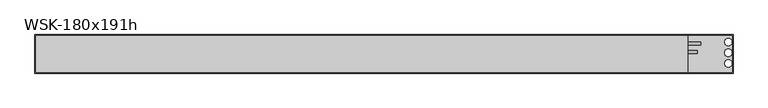
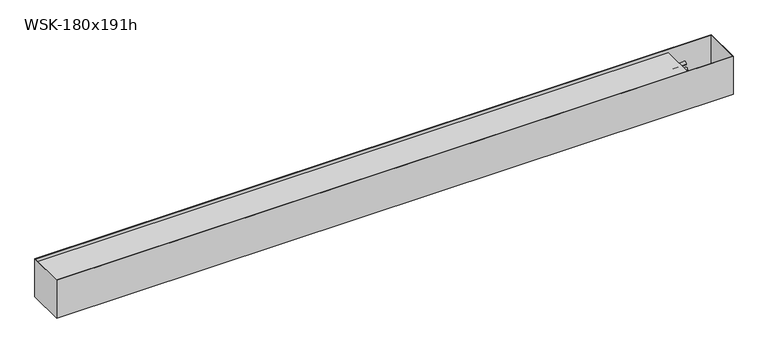
"""IFC4 building model written with IfcOpenShell, lengths in millimetres: proxy geometry, WSK-180x191h."""

import ifcopenshell
import ifcopenshell.guid

model = None  # the IFC model being written
_history = None  # IfcOwnerHistory: only IFC2X3 demands one
_inside = {}  # id of a spatial element -> (the spatial element, [elements in it])
_under = {}  # id of a project, library or spatial element -> (it, [spatial elements below it])
_declared = {}  # id of a project -> (the project, [libraries it declares])
_typed = {}  # id of a type object -> (the type object, [elements of that type])
_made_of = {}  # id of a material, layer set ... -> (it, [elements and type objects made of it])


def new_model(schema):
    """Start an empty IFC model of exactly this schema.

    Asked for "IFC4X3", IfcOpenShell would pick the latest addendum, in which some entities
    have other attributes; the version numbers below select the first issue.
    IFC2X3 requires an IfcOwnerHistory on every rooted entity: one is made here for all.
    """
    global model, _history
    if schema == "IFC4X3":
        model = ifcopenshell.file(schema_version=(4, 3, 0, 0))
    else:
        model = ifcopenshell.file(schema=schema)
    _inside.clear()
    _under.clear()
    _declared.clear()
    _typed.clear()
    _made_of.clear()
    _history = None
    if model.schema == "IFC2X3":
        org = make("IfcOrganization", Name="unknown")
        user = make(
            "IfcPersonAndOrganization",
            ThePerson=make("IfcPerson", FamilyName="unknown"),
            TheOrganization=org,
        )
        app = make(
            "IfcApplication",
            ApplicationDeveloper=org,
            Version="unknown",
            ApplicationFullName="unknown",
            ApplicationIdentifier="unknown",
        )
        _history = make(
            "IfcOwnerHistory",
            OwningUser=user,
            OwningApplication=app,
            ChangeAction="ADDED",
            CreationDate=0,
        )
    return model


def make(cls, **values):
    """One entity of the class cls with the attributes given. An attribute that is None is left unset."""
    return model.create_entity(
        cls, **{name: value for name, value in values.items() if value is not None}
    )


def rooted(cls, **values):
    """An entity with a GlobalId (a new one), such as an element, a storey or a relation."""
    return make(cls, GlobalId=ifcopenshell.guid.new(), OwnerHistory=_history, **values)


def si_unit(unit_type, name, prefix=None):
    """IfcSIUnit, for example si_unit("LENGTHUNIT", "METRE", prefix="MILLI")."""
    return make("IfcSIUnit", UnitType=unit_type, Prefix=prefix, Name=name)


def assignment(units):
    """IfcUnitAssignment: the units of a project."""
    return None if units is None else make("IfcUnitAssignment", Units=units)


def point(xyz):
    """IfcCartesianPoint."""
    return None if xyz is None else make("IfcCartesianPoint", Coordinates=xyz)


def direction(xyz):
    """IfcDirection."""
    return None if xyz is None else make("IfcDirection", DirectionRatios=xyz)


def frame(location, z_axis=None, x_axis=None):
    """IfcAxis2Placement3D, a coordinate frame: its origin and axes. An axis left out is left unset."""
    return make(
        "IfcAxis2Placement3D",
        Location=point(location),
        Axis=direction(z_axis),
        RefDirection=direction(x_axis),
    )


def frame_2d(location, x_axis=None):
    """IfcAxis2Placement2D, a coordinate frame in the plane: its origin and x axis."""
    return make(
        "IfcAxis2Placement2D", Location=point(location), RefDirection=direction(x_axis)
    )


def origin():
    """The frame at (0, 0, 0) with its axes left unset."""
    return frame((0.0, 0.0, 0.0))


def place(relative_to, where):
    """IfcLocalPlacement: puts the frame where relative to a parent placement (None: the world)."""
    return make(
        "IfcLocalPlacement", PlacementRelTo=relative_to, RelativePlacement=where
    )


def context(
    kind, dimensions, precision=None, world=None, true_north=None, identifier=None
):
    """IfcGeometricRepresentationContext, for example the 3D "Model" context."""
    return make(
        "IfcGeometricRepresentationContext",
        ContextIdentifier=identifier,
        ContextType=kind,
        CoordinateSpaceDimension=dimensions,
        Precision=precision,
        WorldCoordinateSystem=world,
        TrueNorth=true_north,
    )


def project(units=None, contexts=None):
    """IfcProject with its units and contexts."""
    return rooted(
        "IfcProject",
        Name="project",
        RepresentationContexts=contexts,
        UnitsInContext=assignment(units),
    )


def spatial(cls, under=None, at=None, **own):
    """A site, building, storey or space (cls), placed at a placement, below another one or the project."""
    s = rooted(cls, ObjectPlacement=at, **own)
    if under is not None:
        _under.setdefault(under.id(), (under, []))[1].append(s)
    return s


def polyline(points):
    """IfcPolyline through the points."""
    return make("IfcPolyline", Points=[point(p) for p in points])


def circle_curve(where, radius):
    """IfcCircle in the frame where."""
    return make("IfcCircle", Position=where, Radius=radius)


def trimmed(basis, trim1, trim2, sense, master):
    """IfcTrimmedCurve: the piece of a basis curve between two trims."""
    return make(
        "IfcTrimmedCurve",
        BasisCurve=basis,
        Trim1=trim1,
        Trim2=trim2,
        SenseAgreement=sense,
        MasterRepresentation=master,
    )


def segment(curve, same_sense, transition):
    """IfcCompositeCurveSegment."""
    return make(
        "IfcCompositeCurveSegment",
        Transition=transition,
        SameSense=same_sense,
        ParentCurve=curve,
    )


def composite_curve(segments, self_intersect=None):
    """IfcCompositeCurve: segments joined end to end."""
    return make("IfcCompositeCurve", Segments=segments, SelfIntersect=self_intersect)


def outline(outer, holes=None, kind="AREA"):
    """IfcArbitraryClosedProfileDef: a profile drawn as a closed curve; with holes, ...WithVoids."""
    if holes is None:
        return make("IfcArbitraryClosedProfileDef", ProfileType=kind, OuterCurve=outer)
    return make(
        "IfcArbitraryProfileDefWithVoids",
        ProfileType=kind,
        OuterCurve=outer,
        InnerCurves=holes,
    )


def extrude(swept, where, along, depth):
    """IfcExtrudedAreaSolid: the profile swept, set in the frame where, extruded along a direction by depth."""
    return make(
        "IfcExtrudedAreaSolid",
        SweptArea=swept,
        Position=where,
        ExtrudedDirection=direction(along),
        Depth=depth,
    )


def shape(context_of_items, identifier, shape_type, items):
    """IfcShapeRepresentation: the items that make up one representation, for example the "Body"."""
    return make(
        "IfcShapeRepresentation",
        ContextOfItems=context_of_items,
        RepresentationIdentifier=identifier,
        RepresentationType=shape_type,
        Items=items,
    )


def source(mapping_origin, context_of_items, identifier, shape_type, items):
    """IfcRepresentationMap: a shape defined once, which mapped items show again and again."""
    return make(
        "IfcRepresentationMap",
        MappingOrigin=mapping_origin,
        MappedRepresentation=shape(context_of_items, identifier, shape_type, items),
    )


def transform(
    local_origin,
    x_axis=None,
    y_axis=None,
    z_axis=None,
    scale=None,
    scale2=None,
    scale3=None,
    uniform=True,
):
    """IfcCartesianTransformationOperator3D, or its non-uniform kind. x_axis, y_axis, z_axis: its Axis1, 2, 3."""
    if uniform:
        return make(
            "IfcCartesianTransformationOperator3D",
            Axis1=direction(x_axis),
            Axis2=direction(y_axis),
            LocalOrigin=point(local_origin),
            Scale=scale,
            Axis3=direction(z_axis),
        )
    return make(
        "IfcCartesianTransformationOperator3DnonUniform",
        Axis1=direction(x_axis),
        Axis2=direction(y_axis),
        LocalOrigin=point(local_origin),
        Scale=scale,
        Axis3=direction(z_axis),
        Scale2=scale2,
        Scale3=scale3,
    )


def mapped(mapping_source, mapping_target):
    """IfcMappedItem: shows the shape of a source again, moved by a transform."""
    return make(
        "IfcMappedItem", MappingSource=mapping_source, MappingTarget=mapping_target
    )


def made_of(thing, what):
    """Note that an element or type object is made of a material, layer set ...; save() writes the relation."""
    if what is not None:
        _made_of.setdefault(what.id(), (what, []))[1].append(thing)
    return thing


def element(
    cls,
    number,
    at=None,
    inside=None,
    cuts=None,
    type_object=None,
    material=None,
    context=None,
    identifier="Body",
    shape_type=None,
    held_by="IfcProductDefinitionShape",
    body=None,
    shapes=None,
    **own,
):
    """One element of the class cls, such as IfcWall. Its Tag is "e" and its number.

    at: its placement. inside: the storey or other place that contains it. cuts: it is an
    opening in that element (IfcRelVoidsElement). A single representation is given by context,
    identifier, shape_type and body (its items); several are given by shapes. held_by: the class
    of the entity that holds the representations. save() writes the other relations.
    """
    e = rooted(cls, Tag="e%d" % number, ObjectPlacement=at, **own)
    if body is not None:
        shapes = [shape(context, identifier, shape_type, body)]
    if shapes is not None:
        e.Representation = make(held_by, Representations=shapes)
    if inside is not None:
        _inside.setdefault(inside.id(), (inside, []))[1].append(e)
    if cuts is not None:
        rooted(
            "IfcRelVoidsElement", RelatingBuildingElement=cuts, RelatedOpeningElement=e
        )
    if type_object is not None:
        _typed.setdefault(type_object.id(), (type_object, []))[1].append(e)
    return made_of(e, material)


def aggregate(whole, parts):
    """IfcRelAggregates: a whole, such as a stair, and the parts it consists of."""
    return rooted("IfcRelAggregates", RelatingObject=whole, RelatedObjects=parts)


def save(model, path):
    """Write the relations noted so far, then the file.

    IfcRelAggregates (storeys below a building ...), IfcRelContainedInSpatialStructure (elements
    in a storey), IfcRelDefinesByType, IfcRelAssociatesMaterial and IfcRelDeclares: one each for
    every whole, place, type object, material and project.
    """
    for whole, parts in _under.values():
        aggregate(whole, parts)
    for where, things in _inside.values():
        rooted(
            "IfcRelContainedInSpatialStructure",
            RelatedElements=things,
            RelatingStructure=where,
        )
    for kind, things in _typed.values():
        rooted("IfcRelDefinesByType", RelatedObjects=things, RelatingType=kind)
    for what, things in _made_of.values():
        rooted("IfcRelAssociatesMaterial", RelatedObjects=things, RelatingMaterial=what)
    for by, libraries in _declared.values():
        rooted("IfcRelDeclares", RelatingContext=by, RelatedDefinitions=libraries)
    model.write(path)


def plane_surface(at):
    """IfcPlane: the flat surface through the origin of the frame at, square to its z axis."""
    return make("IfcPlane", Position=at)


def revolved_surface(curve, axis_point, axis_direction):
    """IfcSurfaceOfRevolution: the curve turned about the line through axis_point along axis_direction."""
    return make(
        "IfcSurfaceOfRevolution",
        SweptCurve=make("IfcArbitraryOpenProfileDef", ProfileType="CURVE", Curve=curve),
        AxisPosition=make("IfcAxis1Placement", Location=point(axis_point), Axis=direction(axis_direction)),
    )


def advanced_brep(points, edges, surfaces, faces):
    """IfcAdvancedBrep: a solid bounded by faces that lie on surfaces and meet in shared edges.

    An edge is (start, end): straight between two places in points (the first is 0);
    or (start, end, curve); or (start, end, curve, False) where it runs against its curve.
    A face is (place in surfaces, loops), or (place, loops, False) where it looks against
    its surface's normal. A loop lists edges by number (the first is 1), with a minus sign
    where the edge is run from its end to its start. The first loop is the outer one.
    """
    corners = [point(p) for p in points]
    vertices = [make("IfcVertexPoint", VertexGeometry=c) for c in corners]
    made = []
    for start, end, *more in edges:
        made.append(
            make(
                "IfcEdgeCurve",
                EdgeStart=vertices[start],
                EdgeEnd=vertices[end],
                EdgeGeometry=more[0] if more else make("IfcPolyline", Points=[corners[start], corners[end]]),
                SameSense=more[1] if len(more) > 1 else True,
            )
        )
    hull = []
    for where, loops, *sense in faces:
        bounds = []
        for j, loop in enumerate(loops):
            ring = [make("IfcOrientedEdge", EdgeElement=made[abs(k) - 1], Orientation=k > 0) for k in loop]
            bounds.append(
                make(
                    "IfcFaceOuterBound" if j == 0 else "IfcFaceBound",
                    Bound=make("IfcEdgeLoop", EdgeList=ring),
                    Orientation=True,
                )
            )
        hull.append(make("IfcAdvancedFace", Bounds=bounds, FaceSurface=surfaces[where], SameSense=sense[0] if sense else True))
    return make("IfcAdvancedBrep", Outer=make("IfcClosedShell", CfsFaces=hull))


def wsk_180x191h_1aef89ea(model_context):
    return source(origin(), model_context, "Body", "SolidModel", [
        extrude(outline(composite_curve([segment(trimmed(circle_curve(frame_2d((8.75, -65.7)), 7.5), [point((1.25, -65.7))], [point((16.25, -65.7))], False, "CARTESIAN"), True, "CONTINUOUS"), segment(trimmed(circle_curve(frame_2d((8.75, -65.7)), 7.5), [point((16.25, -65.7))], [point((1.25, -65.7))], False, "CARTESIAN"), True, "CONTINUOUS")], self_intersect=False)), frame((-210.0, 0.0, 0.0), z_axis=(1.0, 0.0, 0.0), x_axis=(0.0, 1.0, 0.0)), (0.0, 0.0, 1.0), 44.0),
        extrude(outline(composite_curve([segment(trimmed(circle_curve(frame_2d((48.75, -65.7)), 7.5), [point((41.25, -65.7))], [point((56.25, -65.7))], False, "CARTESIAN"), True, "CONTINUOUS"), segment(trimmed(circle_curve(frame_2d((48.75, -65.7)), 7.5), [point((56.25, -65.7))], [point((41.25, -65.7))], False, "CARTESIAN"), True, "CONTINUOUS")], self_intersect=False)), frame((-210.0, 0.0, 0.0), z_axis=(1.0, 0.0, 0.0), x_axis=(0.0, 1.0, 0.0)), (0.0, 0.0, 1.0), 60.0),
        advanced_brep(
        [(-3250.0, 90.0, 0.0), (-3250.0, -90.0, 0.0), (0.0, -90.0, 0.0), (0.0, 90.0, 0.0), (-3247.0, 87.0, 0.0), (-3.0, 87.0, 0.0), (-3.0, -87.0, 0.0), (-3247.0, -87.0, 0.0), (-3250.0, 90.0, -191.0), (0.0, 90.0, -191.0), (0.0, -90.0, -191.0), (-3250.0, -90.0, -191.0), (-22.5, -61.7, -191.0), (-22.5, -26.7, -191.0), (-22.5, -11.7, -191.0), (-22.5, 23.3, -191.0), (-22.5, 38.3, -191.0), (-22.5, 73.3, -191.0), (-210.0, 87.0, -189.0), (-210.0, -87.0, -189.0), (-3.0, -87.0, -189.0), (-3.0, 87.0, -189.0), (-22.5, -26.7, -189.0), (-22.5, -61.7, -189.0), (-22.5, 23.3, -189.0), (-22.5, -11.7, -189.0), (-22.5, 73.3, -189.0), (-22.5, 38.3, -189.0), (-3247.0, 87.0, -15.0), (-210.0, 87.0, -15.0), (-210.0, -87.0, -15.0), (-3247.0, -87.0, -15.0)],
        [
            (0, 1),
            (1, 2),
            (2, 3),
            (3, 0),
            (4, 5),
            (5, 6),
            (6, 7),
            (7, 4),
            (8, 9),
            (9, 10),
            (10, 11),
            (11, 8),
            (12, 13, circle_curve(frame((-22.5, -44.2, -191.0), z_axis=(0.0, 0.0, 1.0), x_axis=(0.0, 1.0, 0.0)), 17.5)),
            (13, 12, circle_curve(frame((-22.5, -44.2, -191.0), z_axis=(0.0, 0.0, 1.0), x_axis=(0.0, 1.0, 0.0)), 17.5)),
            (14, 15, circle_curve(frame((-22.5, 5.8, -191.0), z_axis=(0.0, 0.0, 1.0), x_axis=(0.0, 1.0, 0.0)), 17.5)),
            (15, 14, circle_curve(frame((-22.5, 5.8, -191.0), z_axis=(0.0, 0.0, 1.0), x_axis=(0.0, 1.0, 0.0)), 17.5)),
            (16, 17, circle_curve(frame((-22.5, 55.8, -191.0), z_axis=(0.0, 0.0, 1.0), x_axis=(0.0, 1.0, 0.0)), 17.5)),
            (17, 16, circle_curve(frame((-22.5, 55.8, -191.0), z_axis=(0.0, 0.0, 1.0), x_axis=(0.0, 1.0, 0.0)), 17.5)),
            (3, 9),
            (8, 0),
            (2, 10),
            (1, 11),
            (18, 19),
            (19, 20),
            (20, 21),
            (21, 18),
            (22, 23, circle_curve(frame((-22.5, -44.2, -189.0), z_axis=(0.0, 0.0, -1.0), x_axis=(0.0, 1.0, 0.0)), 17.5)),
            (23, 22, circle_curve(frame((-22.5, -44.2, -189.0), z_axis=(0.0, 0.0, -1.0), x_axis=(0.0, 1.0, 0.0)), 17.5)),
            (24, 25, circle_curve(frame((-22.5, 5.8, -189.0), z_axis=(0.0, 0.0, -1.0), x_axis=(0.0, 1.0, 0.0)), 17.5)),
            (25, 24, circle_curve(frame((-22.5, 5.8, -189.0), z_axis=(0.0, 0.0, -1.0), x_axis=(0.0, 1.0, 0.0)), 17.5)),
            (26, 27, circle_curve(frame((-22.5, 55.8, -189.0), z_axis=(0.0, 0.0, -1.0), x_axis=(0.0, 1.0, 0.0)), 17.5)),
            (27, 26, circle_curve(frame((-22.5, 55.8, -189.0), z_axis=(0.0, 0.0, -1.0), x_axis=(0.0, 1.0, 0.0)), 17.5)),
            (21, 5),
            (4, 28),
            (28, 29),
            (29, 18),
            (20, 6),
            (19, 30),
            (30, 31),
            (31, 7),
            (29, 30),
            (28, 31),
            (12, 23),
            (22, 13),
            (14, 25),
            (24, 15),
            (16, 27),
            (26, 17),
        ],
        [
            plane_surface(frame((-3250.0, 90.0, 0.0), z_axis=(0.0, 0.0, 1.0), x_axis=(0.0, -1.0, 0.0))),
            plane_surface(frame((-3250.0, 90.0, -191.0), z_axis=(0.0, 0.0, -1.0), x_axis=(0.0, 1.0, 0.0))),
            plane_surface(frame((0.0, 90.0, 0.0), z_axis=(0.0, 1.0, 0.0), x_axis=(0.0, 0.0, -1.0))),
            plane_surface(frame((0.0, -90.0, 0.0), z_axis=(1.0, 0.0, 0.0), x_axis=(0.0, 0.0, -1.0))),
            plane_surface(frame((-3250.0, -90.0, 0.0), z_axis=(0.0, -1.0, 0.0), x_axis=(0.0, 0.0, -1.0))),
            plane_surface(frame((-3250.0, 90.0, 0.0), z_axis=(-1.0, 0.0, 0.0), x_axis=(0.0, 0.0, -1.0))),
            plane_surface(frame((-210.0, 87.0, -189.0), z_axis=(0.0, 0.0, 1.0), x_axis=(0.0, 1.0, 0.0))),
            plane_surface(frame((-3.0, 87.0, -2.0), z_axis=(0.0, -1.0, 0.0), x_axis=(0.0, 0.0, -1.0))),
            plane_surface(frame((-3.0, -87.0, -2.0), z_axis=(-1.0, 0.0, 0.0), x_axis=(0.0, 0.0, -1.0))),
            plane_surface(frame((-210.0, -87.0, -2.0), z_axis=(0.0, 1.0, 0.0), x_axis=(0.0, 0.0, -1.0))),
            plane_surface(frame((-210.0, 87.0, -2.0), z_axis=(1.0, 0.0, 0.0), x_axis=(0.0, 0.0, -1.0))),
            plane_surface(frame((-3247.0, 87.0, -15.0), z_axis=(0.0, 0.0, 1.0), x_axis=(0.0, 1.0, 0.0))),
            plane_surface(frame((-3247.0, 87.0, 0.0), z_axis=(1.0, 0.0, 0.0), x_axis=(0.0, 0.0, -1.0))),
            revolved_surface(polyline([(-22.5, -26.700000000000003, -189.0), (-22.5, -26.700000000000003, -191.0)]), (-22.5, -44.2, -201.0), (0.0, 0.0, 1.0)),
            revolved_surface(polyline([(-22.5, 23.3, -189.0), (-22.5, 23.3, -191.0)]), (-22.5, 5.8, -201.0), (0.0, 0.0, 1.0)),
            revolved_surface(polyline([(-22.5, 73.3, -189.0), (-22.5, 73.3, -191.0)]), (-22.5, 55.8, -201.0), (0.0, 0.0, 1.0)),
        ],
        [
            (0, [[1, 2, 3, 4], [5, 6, 7, 8]]),
            (1, [[9, 10, 11, 12], [13, 14], [15, 16], [17, 18]]),
            (2, [[-4, 19, -9, 20]]),
            (3, [[-3, 21, -10, -19]]),
            (4, [[-2, 22, -11, -21]]),
            (5, [[-1, -20, -12, -22]]),
            (6, [[23, 24, 25, 26], [27, 28], [29, 30], [31, 32]]),
            (7, [[-26, 33, -5, 34, 35, 36]]),
            (8, [[-25, 37, -6, -33]]),
            (9, [[-24, 38, 39, 40, -7, -37]]),
            (10, [[-23, -36, 41, -38]]),
            (11, [[42, -39, -41, -35]]),
            (12, [[-42, -34, -8, -40]]),
            (13, [[43, -27, 44, -13]]),
            (13, [[-43, -14, -44, -28]]),
            (14, [[45, -29, 46, -15]]),
            (14, [[-45, -16, -46, -30]]),
            (15, [[47, -31, 48, -17]]),
            (15, [[-47, -18, -48, -32]]),
        ],
    ),
    ])


if __name__ == "__main__":
    model = new_model("IFC4")
    model_context = context("Model", 3, world=origin())
    ifc_project = project(units=[si_unit("LENGTHUNIT", "METRE", prefix="MILLI")], contexts=[model_context])
    site = spatial("IfcSite", under=ifc_project)
    building = spatial("IfcBuilding", under=site)
    placement = place(None, origin())
    wsk_180x191h_shape = wsk_180x191h_1aef89ea(model_context)
    element("IfcBuildingElementProxy", 1, Name="WSK-180x191h", ObjectType="WSK-180x191h", at=placement, inside=building, context=model_context, shape_type="MappedRepresentation", body=[
        mapped(wsk_180x191h_shape, transform((0.0, 0.0, 0.0), x_axis=(1.0, 0.0, 0.0), y_axis=(0.0, 1.0, 0.0), z_axis=(0.0, 0.0, 1.0))),
    ])
    save(model, "model.ifc")
